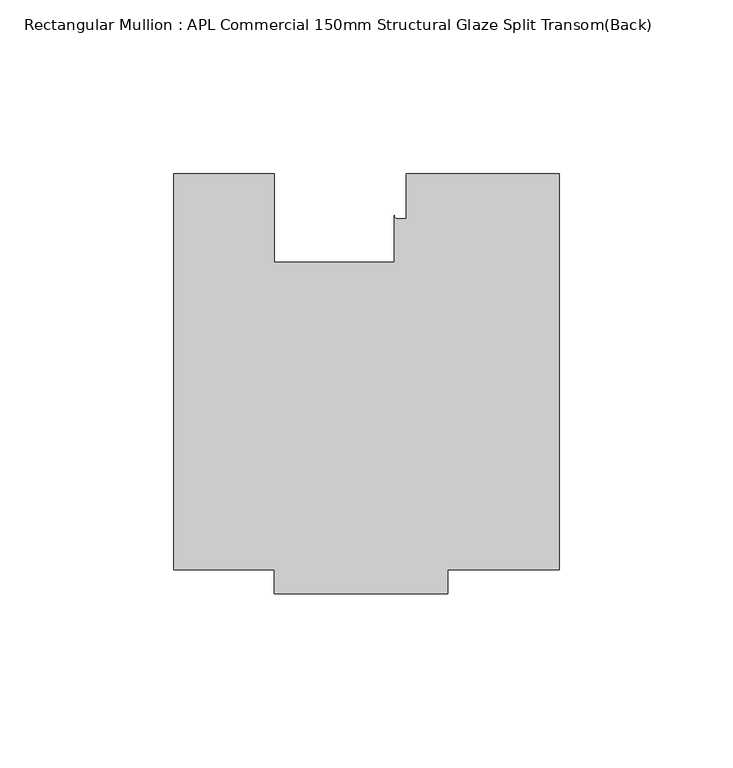
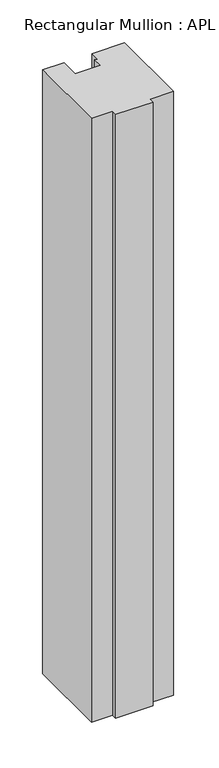
"""IFC4 building model written with IfcOpenShell, lengths in millimetres: member geometry, Rectangular Mullion : APL Commercial 150mm Structural Glaze Split Transom(Back)."""

import ifcopenshell
import ifcopenshell.guid

model = None  # the IFC model being written
_history = None  # IfcOwnerHistory: only IFC2X3 demands one
_inside = {}  # id of a spatial element -> (the spatial element, [elements in it])
_under = {}  # id of a project, library or spatial element -> (it, [spatial elements below it])
_declared = {}  # id of a project -> (the project, [libraries it declares])
_typed = {}  # id of a type object -> (the type object, [elements of that type])
_made_of = {}  # id of a material, layer set ... -> (it, [elements and type objects made of it])


def new_model(schema):
    """Start an empty IFC model of exactly this schema.

    Asked for "IFC4X3", IfcOpenShell would pick the latest addendum, in which some entities
    have other attributes; the version numbers below select the first issue.
    IFC2X3 requires an IfcOwnerHistory on every rooted entity: one is made here for all.
    """
    global model, _history
    if schema == "IFC4X3":
        model = ifcopenshell.file(schema_version=(4, 3, 0, 0))
    else:
        model = ifcopenshell.file(schema=schema)
    _inside.clear()
    _under.clear()
    _declared.clear()
    _typed.clear()
    _made_of.clear()
    _history = None
    if model.schema == "IFC2X3":
        org = make("IfcOrganization", Name="unknown")
        user = make(
            "IfcPersonAndOrganization",
            ThePerson=make("IfcPerson", FamilyName="unknown"),
            TheOrganization=org,
        )
        app = make(
            "IfcApplication",
            ApplicationDeveloper=org,
            Version="unknown",
            ApplicationFullName="unknown",
            ApplicationIdentifier="unknown",
        )
        _history = make(
            "IfcOwnerHistory",
            OwningUser=user,
            OwningApplication=app,
            ChangeAction="ADDED",
            CreationDate=0,
        )
    return model


def make(cls, **values):
    """One entity of the class cls with the attributes given. An attribute that is None is left unset."""
    return model.create_entity(
        cls, **{name: value for name, value in values.items() if value is not None}
    )


def rooted(cls, **values):
    """An entity with a GlobalId (a new one), such as an element, a storey or a relation."""
    return make(cls, GlobalId=ifcopenshell.guid.new(), OwnerHistory=_history, **values)


def si_unit(unit_type, name, prefix=None):
    """IfcSIUnit, for example si_unit("LENGTHUNIT", "METRE", prefix="MILLI")."""
    return make("IfcSIUnit", UnitType=unit_type, Prefix=prefix, Name=name)


def assignment(units):
    """IfcUnitAssignment: the units of a project."""
    return None if units is None else make("IfcUnitAssignment", Units=units)


def point(xyz):
    """IfcCartesianPoint."""
    return None if xyz is None else make("IfcCartesianPoint", Coordinates=xyz)


def direction(xyz):
    """IfcDirection."""
    return None if xyz is None else make("IfcDirection", DirectionRatios=xyz)


def frame(location, z_axis=None, x_axis=None):
    """IfcAxis2Placement3D, a coordinate frame: its origin and axes. An axis left out is left unset."""
    return make(
        "IfcAxis2Placement3D",
        Location=point(location),
        Axis=direction(z_axis),
        RefDirection=direction(x_axis),
    )


def frame_2d(location, x_axis=None):
    """IfcAxis2Placement2D, a coordinate frame in the plane: its origin and x axis."""
    return make(
        "IfcAxis2Placement2D", Location=point(location), RefDirection=direction(x_axis)
    )


def origin():
    """The frame at (0, 0, 0) with its axes left unset."""
    return frame((0.0, 0.0, 0.0))


def place(relative_to, where):
    """IfcLocalPlacement: puts the frame where relative to a parent placement (None: the world)."""
    return make(
        "IfcLocalPlacement", PlacementRelTo=relative_to, RelativePlacement=where
    )


def context(
    kind, dimensions, precision=None, world=None, true_north=None, identifier=None
):
    """IfcGeometricRepresentationContext, for example the 3D "Model" context."""
    return make(
        "IfcGeometricRepresentationContext",
        ContextIdentifier=identifier,
        ContextType=kind,
        CoordinateSpaceDimension=dimensions,
        Precision=precision,
        WorldCoordinateSystem=world,
        TrueNorth=true_north,
    )


def project(units=None, contexts=None):
    """IfcProject with its units and contexts."""
    return rooted(
        "IfcProject",
        Name="project",
        RepresentationContexts=contexts,
        UnitsInContext=assignment(units),
    )


def spatial(cls, under=None, at=None, **own):
    """A site, building, storey or space (cls), placed at a placement, below another one or the project."""
    s = rooted(cls, ObjectPlacement=at, **own)
    if under is not None:
        _under.setdefault(under.id(), (under, []))[1].append(s)
    return s


def polyline(points):
    """IfcPolyline through the points."""
    return make("IfcPolyline", Points=[point(p) for p in points])


def circle_curve(where, radius):
    """IfcCircle in the frame where."""
    return make("IfcCircle", Position=where, Radius=radius)


def trimmed(basis, trim1, trim2, sense, master):
    """IfcTrimmedCurve: the piece of a basis curve between two trims."""
    return make(
        "IfcTrimmedCurve",
        BasisCurve=basis,
        Trim1=trim1,
        Trim2=trim2,
        SenseAgreement=sense,
        MasterRepresentation=master,
    )


def segment(curve, same_sense, transition):
    """IfcCompositeCurveSegment."""
    return make(
        "IfcCompositeCurveSegment",
        Transition=transition,
        SameSense=same_sense,
        ParentCurve=curve,
    )


def composite_curve(segments, self_intersect=None):
    """IfcCompositeCurve: segments joined end to end."""
    return make("IfcCompositeCurve", Segments=segments, SelfIntersect=self_intersect)


def outline(outer, holes=None, kind="AREA"):
    """IfcArbitraryClosedProfileDef: a profile drawn as a closed curve; with holes, ...WithVoids."""
    if holes is None:
        return make("IfcArbitraryClosedProfileDef", ProfileType=kind, OuterCurve=outer)
    return make(
        "IfcArbitraryProfileDefWithVoids",
        ProfileType=kind,
        OuterCurve=outer,
        InnerCurves=holes,
    )


def extrude(swept, where, along, depth):
    """IfcExtrudedAreaSolid: the profile swept, set in the frame where, extruded along a direction by depth."""
    return make(
        "IfcExtrudedAreaSolid",
        SweptArea=swept,
        Position=where,
        ExtrudedDirection=direction(along),
        Depth=depth,
    )


def shape(context_of_items, identifier, shape_type, items):
    """IfcShapeRepresentation: the items that make up one representation, for example the "Body"."""
    return make(
        "IfcShapeRepresentation",
        ContextOfItems=context_of_items,
        RepresentationIdentifier=identifier,
        RepresentationType=shape_type,
        Items=items,
    )


def source(mapping_origin, context_of_items, identifier, shape_type, items):
    """IfcRepresentationMap: a shape defined once, which mapped items show again and again."""
    return make(
        "IfcRepresentationMap",
        MappingOrigin=mapping_origin,
        MappedRepresentation=shape(context_of_items, identifier, shape_type, items),
    )


def transform(
    local_origin,
    x_axis=None,
    y_axis=None,
    z_axis=None,
    scale=None,
    scale2=None,
    scale3=None,
    uniform=True,
):
    """IfcCartesianTransformationOperator3D, or its non-uniform kind. x_axis, y_axis, z_axis: its Axis1, 2, 3."""
    if uniform:
        return make(
            "IfcCartesianTransformationOperator3D",
            Axis1=direction(x_axis),
            Axis2=direction(y_axis),
            LocalOrigin=point(local_origin),
            Scale=scale,
            Axis3=direction(z_axis),
        )
    return make(
        "IfcCartesianTransformationOperator3DnonUniform",
        Axis1=direction(x_axis),
        Axis2=direction(y_axis),
        LocalOrigin=point(local_origin),
        Scale=scale,
        Axis3=direction(z_axis),
        Scale2=scale2,
        Scale3=scale3,
    )


def mapped(mapping_source, mapping_target):
    """IfcMappedItem: shows the shape of a source again, moved by a transform."""
    return make(
        "IfcMappedItem", MappingSource=mapping_source, MappingTarget=mapping_target
    )


def made_of(thing, what):
    """Note that an element or type object is made of a material, layer set ...; save() writes the relation."""
    if what is not None:
        _made_of.setdefault(what.id(), (what, []))[1].append(thing)
    return thing


def element(
    cls,
    number,
    at=None,
    inside=None,
    cuts=None,
    type_object=None,
    material=None,
    context=None,
    identifier="Body",
    shape_type=None,
    held_by="IfcProductDefinitionShape",
    body=None,
    shapes=None,
    **own,
):
    """One element of the class cls, such as IfcWall. Its Tag is "e" and its number.

    at: its placement. inside: the storey or other place that contains it. cuts: it is an
    opening in that element (IfcRelVoidsElement). A single representation is given by context,
    identifier, shape_type and body (its items); several are given by shapes. held_by: the class
    of the entity that holds the representations. save() writes the other relations.
    """
    e = rooted(cls, Tag="e%d" % number, ObjectPlacement=at, **own)
    if body is not None:
        shapes = [shape(context, identifier, shape_type, body)]
    if shapes is not None:
        e.Representation = make(held_by, Representations=shapes)
    if inside is not None:
        _inside.setdefault(inside.id(), (inside, []))[1].append(e)
    if cuts is not None:
        rooted(
            "IfcRelVoidsElement", RelatingBuildingElement=cuts, RelatedOpeningElement=e
        )
    if type_object is not None:
        _typed.setdefault(type_object.id(), (type_object, []))[1].append(e)
    return made_of(e, material)


def aggregate(whole, parts):
    """IfcRelAggregates: a whole, such as a stair, and the parts it consists of."""
    return rooted("IfcRelAggregates", RelatingObject=whole, RelatedObjects=parts)


def save(model, path):
    """Write the relations noted so far, then the file.

    IfcRelAggregates (storeys below a building ...), IfcRelContainedInSpatialStructure (elements
    in a storey), IfcRelDefinesByType, IfcRelAssociatesMaterial and IfcRelDeclares: one each for
    every whole, place, type object, material and project.
    """
    for whole, parts in _under.values():
        aggregate(whole, parts)
    for where, things in _inside.values():
        rooted(
            "IfcRelContainedInSpatialStructure",
            RelatedElements=things,
            RelatingStructure=where,
        )
    for kind, things in _typed.values():
        rooted("IfcRelDefinesByType", RelatedObjects=things, RelatingType=kind)
    for what, things in _made_of.values():
        rooted("IfcRelAssociatesMaterial", RelatedObjects=things, RelatingMaterial=what)
    for by, libraries in _declared.values():
        rooted("IfcRelDeclares", RelatingContext=by, RelatedDefinitions=libraries)
    model.write(path)


def rectangular_mullion_apl_commercial_150mm_structural_glaze_0b2de551(model_context):
    return source(origin(), model_context, "Body", "SweptSolid", [
        extrude(outline(composite_curve([segment(polyline([(54.0000029, -15.0004617), (54.0000029, -129.0003326), (22.0028846, -129.0003326), (22.0028846, -136.0003326), (-27.9971154, -136.0003326), (-27.9971154, -129.0002765), (-57.0000004, -129.0002765), (-57.0000004, -15.0001793), (-28.0000482, -15.0001793), (-28.0000482, -40.499932), (6.5000029, -40.499932), (6.5000029, -27.0002131)]), True, "CONTINUOUS"), segment(trimmed(circle_curve(frame_2d((7.5000029, -27.0002131)), 1.0), [point((6.5000029, -27.0002131))], [point((7.5000029, -28.0002131))], True, "CARTESIAN"), True, "CONTINUOUS"), segment(polyline([(7.5000029, -28.0002131), (10.0000029, -28.0002131), (10.0000029, -15.0004617), (54.0000029, -15.0004617)]), True, "CONTINUOUS")], self_intersect=False)), frame((0.0, 0.0, -861.893457), z_axis=(0.0, 0.0, 1.0), x_axis=(1.0, 0.0, 0.0)), (0.0, 0.0, 1.0), 861.893457),
    ])


if __name__ == "__main__":
    model = new_model("IFC4")
    model_context = context("Model", 3, world=origin())
    ifc_project = project(units=[si_unit("LENGTHUNIT", "METRE", prefix="MILLI")], contexts=[model_context])
    site = spatial("IfcSite", under=ifc_project)
    building = spatial("IfcBuilding", under=site)
    placement = place(None, origin())
    rectangular_mullion_apl_commercial_150mm_structural_glaze_shape = rectangular_mullion_apl_commercial_150mm_structural_glaze_0b2de551(model_context)
    element("IfcMember", 1, ObjectType="Rectangular Mullion : APL Commercial 150mm Structural Glaze Split Transom(Back)", at=placement, inside=building, context=model_context, shape_type="MappedRepresentation", body=[
        mapped(rectangular_mullion_apl_commercial_150mm_structural_glaze_shape, transform((0.0, 0.0, 0.0), x_axis=(1.0, 0.0, 0.0), y_axis=(0.0, 1.0, 0.0), z_axis=(0.0, 0.0, 1.0))),
    ])
    save(model, "model.ifc")
